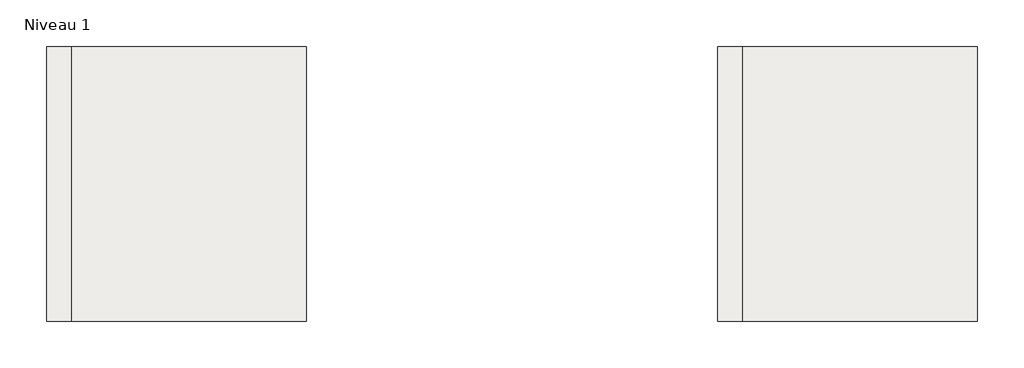
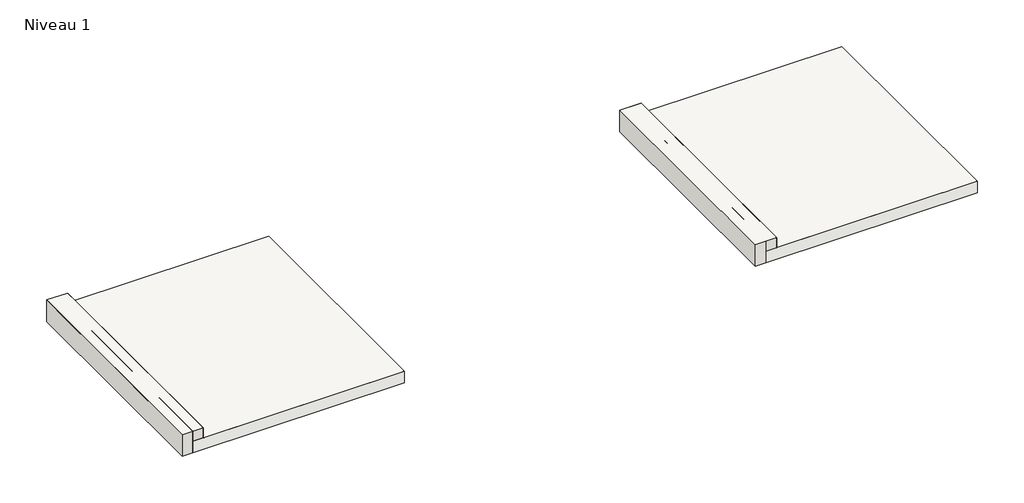
# One storey, part 1 of 3: 6 roofs, 6 walls.
"""IFC4 building model written with IfcOpenShell, lengths in millimetres."""

from ifc_helpers import new_model, si_unit, frame, origin, place, context, project, spatial, polyline, outline, extrude, element, save

model = new_model("IFC4")

# Units and contexts
model_context = context("Model", 3, world=origin())
ifc_project = project(units=[si_unit("LENGTHUNIT", "METRE", prefix="MILLI")], contexts=[model_context])

# Site, building, storey
site = spatial("IfcSite", under=ifc_project)
building = spatial("IfcBuilding", under=site)
storey = spatial("IfcBuildingStorey", under=building, Name="Niveau 1", Elevation=0.0)

# Roofs
placement = place(None, origin())
element("IfcRoof", 1, at=placement, inside=storey, context=model_context, shape_type="SweptSolid", body=[
    extrude(outline(polyline([(6837.3553682, 5160.4913189), (6837.3553682, 11874.9528574), (12584.3053682, 11874.9528574), (12584.3053682, 5160.4913189), (6837.3553682, 5160.4913189)])), frame((0.0, 0.0, 135.2), z_axis=(0.0, 0.0, 1.0), x_axis=(1.0, 0.0, 0.0)), (0.0, 0.0, 1.0), 3.3),
])
element("IfcRoof", 2, at=placement, inside=storey, context=model_context, shape_type="SweptSolid", body=[
    extrude(outline(polyline([(6237.3553682, 5160.4913189), (6237.3553682, 11874.9528574), (6840.6553682, 11874.9528574), (6840.6553682, 5160.4913189), (6237.3553682, 5160.4913189)])), frame((0.0, 0.0, 435.2), z_axis=(0.0, 0.0, 1.0), x_axis=(1.0, 0.0, 0.0)), (0.0, 0.0, 1.0), 3.3),
])
element("IfcRoof", 3, at=placement, inside=storey, context=model_context, shape_type="SweptSolid", body=[
    extrude(outline(polyline([(23232.5553682, 5160.6254592), (23232.5553682, 11875.0869977), (28979.5053682, 11875.0869977), (28979.5053682, 5160.6254592), (23232.5553682, 5160.6254592)])), frame((0.0, 0.0, 135.2), z_axis=(0.0, 0.0, 1.0), x_axis=(1.0, 0.0, 0.0)), (0.0, 0.0, 1.0), 3.0),
])
element("IfcRoof", 4, at=placement, inside=storey, context=model_context, shape_type="SweptSolid", body=[
    extrude(outline(polyline([(22632.5553682, 5160.6254592), (22632.5553682, 11875.0869977), (23235.8553682, 11875.0869977), (23235.8553682, 5160.6254592), (22632.5553682, 5160.6254592)])), frame((0.0, 0.0, 435.2), z_axis=(0.0, 0.0, 1.0), x_axis=(1.0, 0.0, 0.0)), (0.0, 0.0, 1.0), 3.3),
])
element("IfcRoof", 5, ObjectType="Toit 1", at=placement, inside=storey, context=model_context, shape_type="SweptSolid", body=[
    extrude(outline(polyline([(6537.3553682, 11874.9528574), (12584.3053682, 11874.9528574), (12584.3053682, 5160.4913189), (6537.3553682, 5160.4913189), (6537.3553682, 11874.9528574)])), frame((0.0, 0.0, -215.6), z_axis=(0.0, 0.0, 1.0), x_axis=(1.0, 0.0, 0.0)), (0.0, 0.0, 1.0), 350.8),
])
element("IfcRoof", 6, ObjectType="Toit 1", at=placement, inside=storey, context=model_context, shape_type="SweptSolid", body=[
    extrude(outline(polyline([(22932.5553682, 11875.0869977), (28979.5053682, 11875.0869977), (28979.5053682, 5160.6254592), (22932.5553682, 5160.6254592), (22932.5553682, 11875.0869977)])), frame((0.0, 0.0, -215.6), z_axis=(0.0, 0.0, 1.0), x_axis=(1.0, 0.0, 0.0)), (0.0, 0.0, 1.0), 350.8),
])

# Walls
element("IfcWall", 7, at=placement, inside=storey, context=model_context, shape_type="SweptSolid", body=[
    extrude(outline(polyline([(6837.3553682, 5160.4913189), (6837.3553682, 11874.9528574), (6840.6553682, 11874.9528574), (6840.6553682, 5160.4913189), (6837.3553682, 5160.4913189)])), frame((0.0, 0.0, 138.5), z_axis=(0.0, 0.0, 1.0), x_axis=(1.0, 0.0, 0.0)), (0.0, 0.0, 1.0), 296.7),
])
element("IfcWall", 8, at=placement, inside=storey, context=model_context, shape_type="SweptSolid", body=[
    extrude(outline(polyline([(23232.5553682, 5160.6254592), (23232.5553682, 11875.0869977), (23235.8553682, 11875.0869977), (23235.8553682, 5160.6254592), (23232.5553682, 5160.6254592)])), frame((0.0, 0.0, 138.2), z_axis=(0.0, 0.0, 1.0), x_axis=(1.0, 0.0, 0.0)), (0.0, 0.0, 1.0), 297.0),
])
element("IfcWall", 9, ObjectType="Mur 1", at=placement, inside=storey, context=model_context, shape_type="SweptSolid", body=[
    extrude(outline(polyline([(6237.3553682, 5160.4913189), (6237.3553682, 11874.9528574), (6537.3553682, 11874.9528574), (6537.3553682, 5160.4913189), (6237.3553682, 5160.4913189)])), frame((0.0, 0.0, -215.6), z_axis=(0.0, 0.0, 1.0), x_axis=(1.0, 0.0, 0.0)), (0.0, 0.0, 1.0), 650.8),
])
element("IfcWall", 10, ObjectType="Mur 1", at=placement, inside=storey, context=model_context, shape_type="SweptSolid", body=[
    extrude(outline(polyline([(6537.3553682, 5160.4913189), (6537.3553682, 11874.9528574), (6837.3553682, 11874.9528574), (6837.3553682, 5160.4913189), (6537.3553682, 5160.4913189)])), frame((0.0, 0.0, 135.2), z_axis=(0.0, 0.0, 1.0), x_axis=(1.0, 0.0, 0.0)), (0.0, 0.0, 1.0), 300.0),
])
element("IfcWall", 11, ObjectType="Mur 1", at=placement, inside=storey, context=model_context, shape_type="SweptSolid", body=[
    extrude(outline(polyline([(22632.5553682, 5160.6254592), (22632.5553682, 11875.0869977), (22932.5553682, 11875.0869977), (22932.5553682, 5160.6254592), (22632.5553682, 5160.6254592)])), frame((0.0, 0.0, -215.6), z_axis=(0.0, 0.0, 1.0), x_axis=(1.0, 0.0, 0.0)), (0.0, 0.0, 1.0), 650.8),
])
element("IfcWall", 12, ObjectType="Mur 1", at=placement, inside=storey, context=model_context, shape_type="SweptSolid", body=[
    extrude(outline(polyline([(22932.5553682, 5160.6254592), (22932.5553682, 11875.0869977), (23232.5553682, 11875.0869977), (23232.5553682, 5160.6254592), (22932.5553682, 5160.6254592)])), frame((0.0, 0.0, 135.2), z_axis=(0.0, 0.0, 1.0), x_axis=(1.0, 0.0, 0.0)), (0.0, 0.0, 1.0), 300.0),
])

save(model, "model.ifc")
